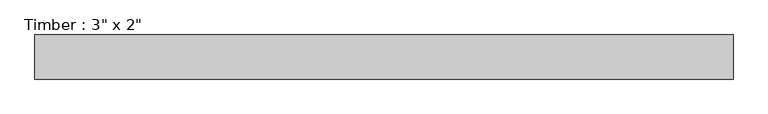
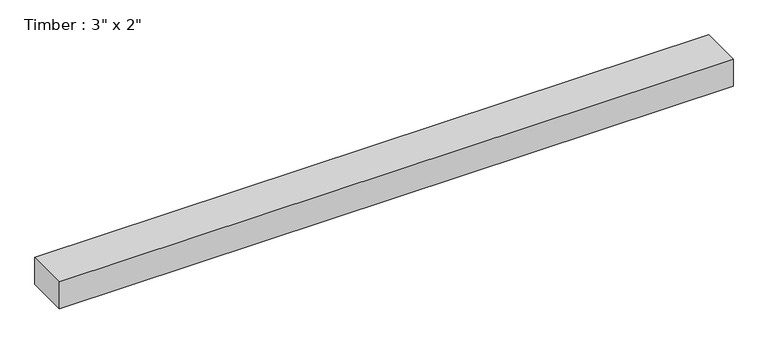
"""IFC4 building model written with IfcOpenShell, lengths in millimetres: beam geometry."""

from ifc_helpers import new_model, si_unit, frame, origin, place, context, project, spatial, polyline, outline, extrude, source, transform, mapped, element, save


def beam_148c30ab(model_context):
    return source(origin(), model_context, "Body", "SweptSolid", [
        extrude(outline(polyline([(603.2416606, -38.1), (-603.2416606, -38.1), (-603.2416606, 38.1), (603.2416606, 38.1), (603.2416606, -38.1)])), frame((0.0, 0.0, -25.4), z_axis=(0.0, 0.0, 1.0), x_axis=(1.0, 0.0, 0.0)), (0.0, 0.0, 1.0), 50.8),
    ])


if __name__ == "__main__":
    model = new_model("IFC4")
    model_context = context("Model", 3, world=origin())
    ifc_project = project(units=[si_unit("LENGTHUNIT", "METRE", prefix="MILLI")], contexts=[model_context])
    site = spatial("IfcSite", under=ifc_project)
    building = spatial("IfcBuilding", under=site)
    placement = place(None, origin())
    beam_shape = beam_148c30ab(model_context)
    element("IfcBeam", 1, ObjectType="Timber : 3\" x 2\"", at=placement, inside=building, context=model_context, shape_type="MappedRepresentation", body=[
        mapped(beam_shape, transform((0.0, 0.0, 0.0), x_axis=(1.0, 0.0, 0.0), y_axis=(0.0, 1.0, 0.0), z_axis=(0.0, 0.0, 1.0))),
    ])
    save(model, "model.ifc")
